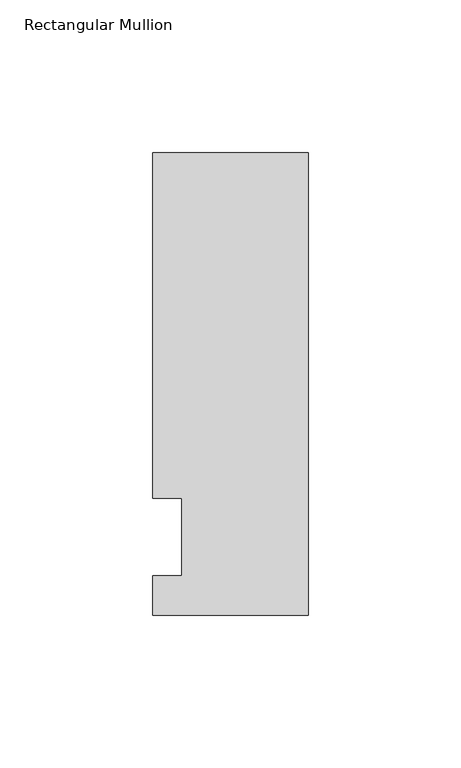
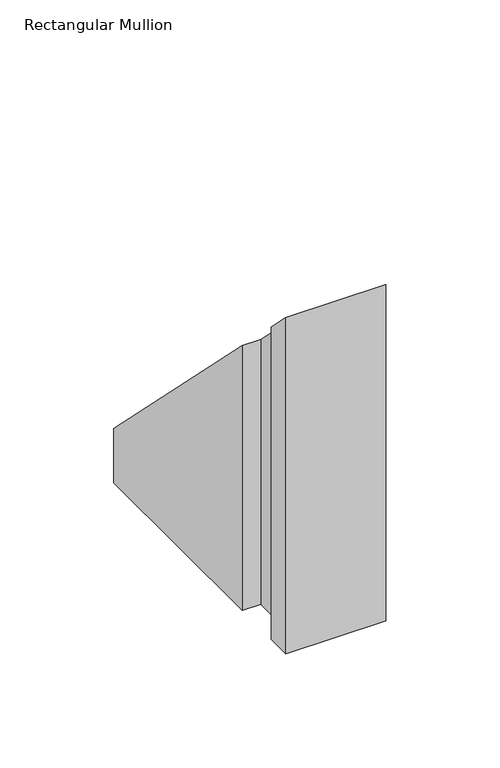
"""IFC4 building model written with IfcOpenShell, lengths in millimetres: member geometry, Rectangular Mullion."""

import ifcopenshell
import ifcopenshell.guid

model = None  # the IFC model being written
_history = None  # IfcOwnerHistory: only IFC2X3 demands one
_inside = {}  # id of a spatial element -> (the spatial element, [elements in it])
_under = {}  # id of a project, library or spatial element -> (it, [spatial elements below it])
_declared = {}  # id of a project -> (the project, [libraries it declares])
_typed = {}  # id of a type object -> (the type object, [elements of that type])
_made_of = {}  # id of a material, layer set ... -> (it, [elements and type objects made of it])


def new_model(schema):
    """Start an empty IFC model of exactly this schema.

    Asked for "IFC4X3", IfcOpenShell would pick the latest addendum, in which some entities
    have other attributes; the version numbers below select the first issue.
    IFC2X3 requires an IfcOwnerHistory on every rooted entity: one is made here for all.
    """
    global model, _history
    if schema == "IFC4X3":
        model = ifcopenshell.file(schema_version=(4, 3, 0, 0))
    else:
        model = ifcopenshell.file(schema=schema)
    _inside.clear()
    _under.clear()
    _declared.clear()
    _typed.clear()
    _made_of.clear()
    _history = None
    if model.schema == "IFC2X3":
        org = make("IfcOrganization", Name="unknown")
        user = make(
            "IfcPersonAndOrganization",
            ThePerson=make("IfcPerson", FamilyName="unknown"),
            TheOrganization=org,
        )
        app = make(
            "IfcApplication",
            ApplicationDeveloper=org,
            Version="unknown",
            ApplicationFullName="unknown",
            ApplicationIdentifier="unknown",
        )
        _history = make(
            "IfcOwnerHistory",
            OwningUser=user,
            OwningApplication=app,
            ChangeAction="ADDED",
            CreationDate=0,
        )
    return model


def make(cls, **values):
    """One entity of the class cls with the attributes given. An attribute that is None is left unset."""
    return model.create_entity(
        cls, **{name: value for name, value in values.items() if value is not None}
    )


def rooted(cls, **values):
    """An entity with a GlobalId (a new one), such as an element, a storey or a relation."""
    return make(cls, GlobalId=ifcopenshell.guid.new(), OwnerHistory=_history, **values)


def si_unit(unit_type, name, prefix=None):
    """IfcSIUnit, for example si_unit("LENGTHUNIT", "METRE", prefix="MILLI")."""
    return make("IfcSIUnit", UnitType=unit_type, Prefix=prefix, Name=name)


def assignment(units):
    """IfcUnitAssignment: the units of a project."""
    return None if units is None else make("IfcUnitAssignment", Units=units)


def point(xyz):
    """IfcCartesianPoint."""
    return None if xyz is None else make("IfcCartesianPoint", Coordinates=xyz)


def direction(xyz):
    """IfcDirection."""
    return None if xyz is None else make("IfcDirection", DirectionRatios=xyz)


def frame(location, z_axis=None, x_axis=None):
    """IfcAxis2Placement3D, a coordinate frame: its origin and axes. An axis left out is left unset."""
    return make(
        "IfcAxis2Placement3D",
        Location=point(location),
        Axis=direction(z_axis),
        RefDirection=direction(x_axis),
    )


def origin():
    """The frame at (0, 0, 0) with its axes left unset."""
    return frame((0.0, 0.0, 0.0))


def place(relative_to, where):
    """IfcLocalPlacement: puts the frame where relative to a parent placement (None: the world)."""
    return make(
        "IfcLocalPlacement", PlacementRelTo=relative_to, RelativePlacement=where
    )


def context(
    kind, dimensions, precision=None, world=None, true_north=None, identifier=None
):
    """IfcGeometricRepresentationContext, for example the 3D "Model" context."""
    return make(
        "IfcGeometricRepresentationContext",
        ContextIdentifier=identifier,
        ContextType=kind,
        CoordinateSpaceDimension=dimensions,
        Precision=precision,
        WorldCoordinateSystem=world,
        TrueNorth=true_north,
    )


def project(units=None, contexts=None):
    """IfcProject with its units and contexts."""
    return rooted(
        "IfcProject",
        Name="project",
        RepresentationContexts=contexts,
        UnitsInContext=assignment(units),
    )


def spatial(cls, under=None, at=None, **own):
    """A site, building, storey or space (cls), placed at a placement, below another one or the project."""
    s = rooted(cls, ObjectPlacement=at, **own)
    if under is not None:
        _under.setdefault(under.id(), (under, []))[1].append(s)
    return s


def faces_of(points, faces, orient=None, outer=None):
    """IfcFace entities. A face is a list of loops; a loop is a list of indices into points, from 0.

    orient and outer hold one flag for each loop. By default every Orientation is true, the
    first loop of a face is its IfcFaceOuterBound and the others are IfcFaceBound.
    """
    made = []
    for i, loops in enumerate(faces):
        bounds = []
        for j, loop in enumerate(loops):
            is_outer = j == 0 if outer is None else outer[i][j]
            bounds.append(
                make(
                    "IfcFaceOuterBound" if is_outer else "IfcFaceBound",
                    Bound=make("IfcPolyLoop", Polygon=[points[k] for k in loop]),
                    Orientation=True if orient is None else orient[i][j],
                )
            )
        made.append(make("IfcFace", Bounds=bounds))
    return made


def faceted_brep(points, faces, orient=None, outer=None, voids=None):
    """IfcFacetedBrep: a solid bounded by flat faces; with voids (closed shells), ...WithVoids."""
    shared = [point(p) for p in points]
    hull = make("IfcClosedShell", CfsFaces=faces_of(shared, faces, orient, outer))
    if voids is None:
        return make("IfcFacetedBrep", Outer=hull)
    return make(
        "IfcFacetedBrepWithVoids",
        Outer=hull,
        Voids=[
            make(cls, CfsFaces=faces_of(shared, fs, o, b)) for cls, fs, o, b in voids
        ],
    )


def shape(context_of_items, identifier, shape_type, items):
    """IfcShapeRepresentation: the items that make up one representation, for example the "Body"."""
    return make(
        "IfcShapeRepresentation",
        ContextOfItems=context_of_items,
        RepresentationIdentifier=identifier,
        RepresentationType=shape_type,
        Items=items,
    )


def source(mapping_origin, context_of_items, identifier, shape_type, items):
    """IfcRepresentationMap: a shape defined once, which mapped items show again and again."""
    return make(
        "IfcRepresentationMap",
        MappingOrigin=mapping_origin,
        MappedRepresentation=shape(context_of_items, identifier, shape_type, items),
    )


def transform(
    local_origin,
    x_axis=None,
    y_axis=None,
    z_axis=None,
    scale=None,
    scale2=None,
    scale3=None,
    uniform=True,
):
    """IfcCartesianTransformationOperator3D, or its non-uniform kind. x_axis, y_axis, z_axis: its Axis1, 2, 3."""
    if uniform:
        return make(
            "IfcCartesianTransformationOperator3D",
            Axis1=direction(x_axis),
            Axis2=direction(y_axis),
            LocalOrigin=point(local_origin),
            Scale=scale,
            Axis3=direction(z_axis),
        )
    return make(
        "IfcCartesianTransformationOperator3DnonUniform",
        Axis1=direction(x_axis),
        Axis2=direction(y_axis),
        LocalOrigin=point(local_origin),
        Scale=scale,
        Axis3=direction(z_axis),
        Scale2=scale2,
        Scale3=scale3,
    )


def mapped(mapping_source, mapping_target):
    """IfcMappedItem: shows the shape of a source again, moved by a transform."""
    return make(
        "IfcMappedItem", MappingSource=mapping_source, MappingTarget=mapping_target
    )


def made_of(thing, what):
    """Note that an element or type object is made of a material, layer set ...; save() writes the relation."""
    if what is not None:
        _made_of.setdefault(what.id(), (what, []))[1].append(thing)
    return thing


def element(
    cls,
    number,
    at=None,
    inside=None,
    cuts=None,
    type_object=None,
    material=None,
    context=None,
    identifier="Body",
    shape_type=None,
    held_by="IfcProductDefinitionShape",
    body=None,
    shapes=None,
    **own,
):
    """One element of the class cls, such as IfcWall. Its Tag is "e" and its number.

    at: its placement. inside: the storey or other place that contains it. cuts: it is an
    opening in that element (IfcRelVoidsElement). A single representation is given by context,
    identifier, shape_type and body (its items); several are given by shapes. held_by: the class
    of the entity that holds the representations. save() writes the other relations.
    """
    e = rooted(cls, Tag="e%d" % number, ObjectPlacement=at, **own)
    if body is not None:
        shapes = [shape(context, identifier, shape_type, body)]
    if shapes is not None:
        e.Representation = make(held_by, Representations=shapes)
    if inside is not None:
        _inside.setdefault(inside.id(), (inside, []))[1].append(e)
    if cuts is not None:
        rooted(
            "IfcRelVoidsElement", RelatingBuildingElement=cuts, RelatedOpeningElement=e
        )
    if type_object is not None:
        _typed.setdefault(type_object.id(), (type_object, []))[1].append(e)
    return made_of(e, material)


def aggregate(whole, parts):
    """IfcRelAggregates: a whole, such as a stair, and the parts it consists of."""
    return rooted("IfcRelAggregates", RelatingObject=whole, RelatedObjects=parts)


def save(model, path):
    """Write the relations noted so far, then the file.

    IfcRelAggregates (storeys below a building ...), IfcRelContainedInSpatialStructure (elements
    in a storey), IfcRelDefinesByType, IfcRelAssociatesMaterial and IfcRelDeclares: one each for
    every whole, place, type object, material and project.
    """
    for whole, parts in _under.values():
        aggregate(whole, parts)
    for where, things in _inside.values():
        rooted(
            "IfcRelContainedInSpatialStructure",
            RelatedElements=things,
            RelatingStructure=where,
        )
    for kind, things in _typed.values():
        rooted("IfcRelDefinesByType", RelatedObjects=things, RelatingType=kind)
    for what, things in _made_of.values():
        rooted("IfcRelAssociatesMaterial", RelatedObjects=things, RelatingMaterial=what)
    for by, libraries in _declared.values():
        rooted("IfcRelDeclares", RelatingContext=by, RelatedDefinitions=libraries)
    model.write(path)


def rectangular_mullion_e308680d(model_context):
    return source(origin(), model_context, "Body", "Brep", [
        faceted_brep([(-50.8, -25.5984375, -154.933587), (-50.8, -12.7, -154.933587), (-41.275, -12.7, -154.933587), (-41.275, 12.7, -154.933587), (-50.8, 12.7, -154.933587), (-50.8, 125.6109375, -154.933587), (0.0, 125.6109375, -154.933587), (0.0, -25.5984375, -154.933587), (0.0, -25.5984375, 25.5984375), (-50.8, -25.5984375, 25.5984375), (0.0, 125.6109375, -125.6109375), (-50.8, 125.6109375, -125.6109375), (-50.8, 12.7, -12.7), (-41.275, 12.7, -12.7), (-41.275, -12.7, 12.7), (-50.8, -12.7, 12.7)], [[[0, 1, 2, 3, 4, 5, 6, 7]], [[8, 9, 0, 7]], [[10, 8, 7, 6]], [[11, 10, 6, 5]], [[12, 11, 5, 4]], [[13, 12, 4, 3]], [[14, 13, 3, 2]], [[15, 14, 2, 1]], [[9, 15, 1, 0]], [[9, 8, 10, 11, 12, 13, 14, 15]]]),
    ])


if __name__ == "__main__":
    model = new_model("IFC4")
    model_context = context("Model", 3, world=origin())
    ifc_project = project(units=[si_unit("LENGTHUNIT", "METRE", prefix="MILLI")], contexts=[model_context])
    site = spatial("IfcSite", under=ifc_project)
    building = spatial("IfcBuilding", under=site)
    placement = place(None, origin())
    rectangular_mullion_shape = rectangular_mullion_e308680d(model_context)
    element("IfcMember", 1, ObjectType="Rectangular Mullion", at=placement, inside=building, context=model_context, shape_type="MappedRepresentation", body=[
        mapped(rectangular_mullion_shape, transform((0.0, 0.0, 0.0), x_axis=(1.0, 0.0, 0.0), y_axis=(0.0, 1.0, 0.0), z_axis=(0.0, 0.0, 1.0))),
    ])
    save(model, "model.ifc")
